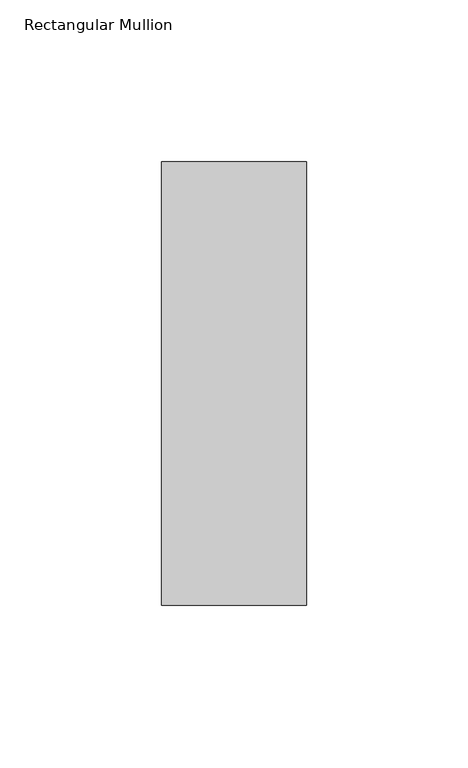
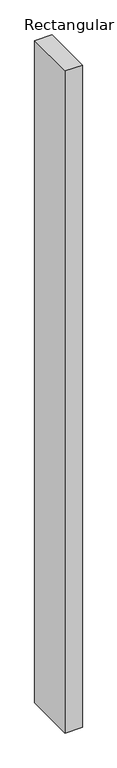
"""IFC4 building model written with IfcOpenShell, lengths in millimetres: member geometry, Rectangular Mullion."""

from ifc_helpers import new_model, si_unit, frame, origin, place, context, project, spatial, polyline, outline, extrude, source, transform, mapped, element, save


def rectangular_mullion_8b9b41d3(model_context):
    return source(origin(), model_context, "Body", "SweptSolid", [
        extrude(outline(polyline([(-45.0, 84.19375), (0.0, 84.19375), (0.0, -53.19375), (-45.0, -53.19375), (-45.0, 84.19375)])), frame((0.0, 0.0, -1828.8), z_axis=(0.0, 0.0, 1.0), x_axis=(1.0, 0.0, 0.0)), (0.0, 0.0, 1.0), 1828.8),
    ])


if __name__ == "__main__":
    model = new_model("IFC4")
    model_context = context("Model", 3, world=origin())
    ifc_project = project(units=[si_unit("LENGTHUNIT", "METRE", prefix="MILLI")], contexts=[model_context])
    site = spatial("IfcSite", under=ifc_project)
    building = spatial("IfcBuilding", under=site)
    placement = place(None, origin())
    rectangular_mullion_shape = rectangular_mullion_8b9b41d3(model_context)
    element("IfcMember", 1, ObjectType="Rectangular Mullion", at=placement, inside=building, context=model_context, shape_type="MappedRepresentation", body=[
        mapped(rectangular_mullion_shape, transform((0.0, 0.0, 0.0), x_axis=(1.0, 0.0, 0.0), y_axis=(0.0, 1.0, 0.0), z_axis=(0.0, 0.0, 1.0))),
    ])
    save(model, "model.ifc")
